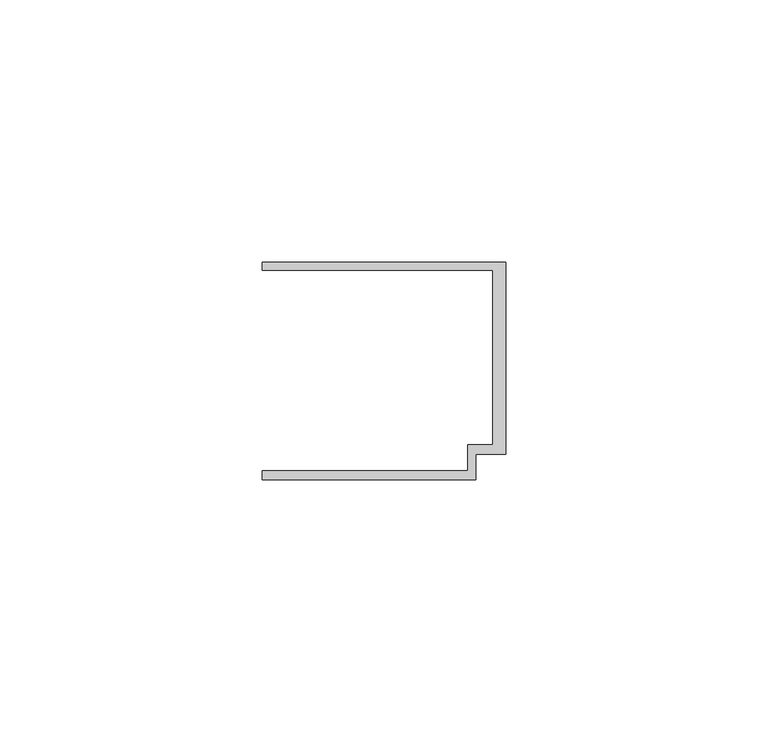
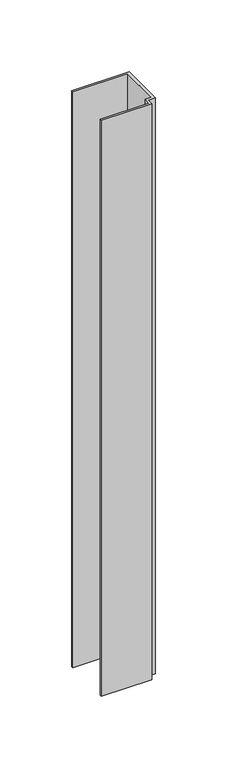
"""IFC4 building model written with IfcOpenShell, lengths in millimetres: member geometry."""

from ifc_helpers import new_model, si_unit, frame, origin, place, context, project, spatial, polyline, outline, extrude, source, transform, mapped, element, save


def member_f73aead3(model_context):
    return source(origin(), model_context, "Body", "SweptSolid", [
        extrude(outline(polyline([(-46.3, 19.2), (-46.3, 20.7), (0.0, 20.7), (0.0, -15.8), (-5.6999992, -15.8), (-5.6999992, -20.7), (-46.3, -20.7), (-46.3, -19.0), (-7.2, -19.0), (-7.2, -14.0), (-2.4, -14.0), (-2.4, 19.2), (-46.3, 19.2)])), frame((0.0, 0.0, -489.9001021), z_axis=(0.0, 0.0, 1.0), x_axis=(1.0, 0.0, 0.0)), (0.0, 0.0, 1.0), 489.9001021),
    ])


if __name__ == "__main__":
    model = new_model("IFC4")
    model_context = context("Model", 3, world=origin())
    ifc_project = project(units=[si_unit("LENGTHUNIT", "METRE", prefix="MILLI")], contexts=[model_context])
    site = spatial("IfcSite", under=ifc_project)
    building = spatial("IfcBuilding", under=site)
    placement = place(None, origin())
    member_shape = member_f73aead3(model_context)
    element("IfcMember", 1, at=placement, inside=building, context=model_context, shape_type="MappedRepresentation", body=[
        mapped(member_shape, transform((0.0, 0.0, 0.0), x_axis=(1.0, 0.0, 0.0), y_axis=(0.0, 1.0, 0.0), z_axis=(0.0, 0.0, 1.0))),
    ])
    save(model, "model.ifc")
